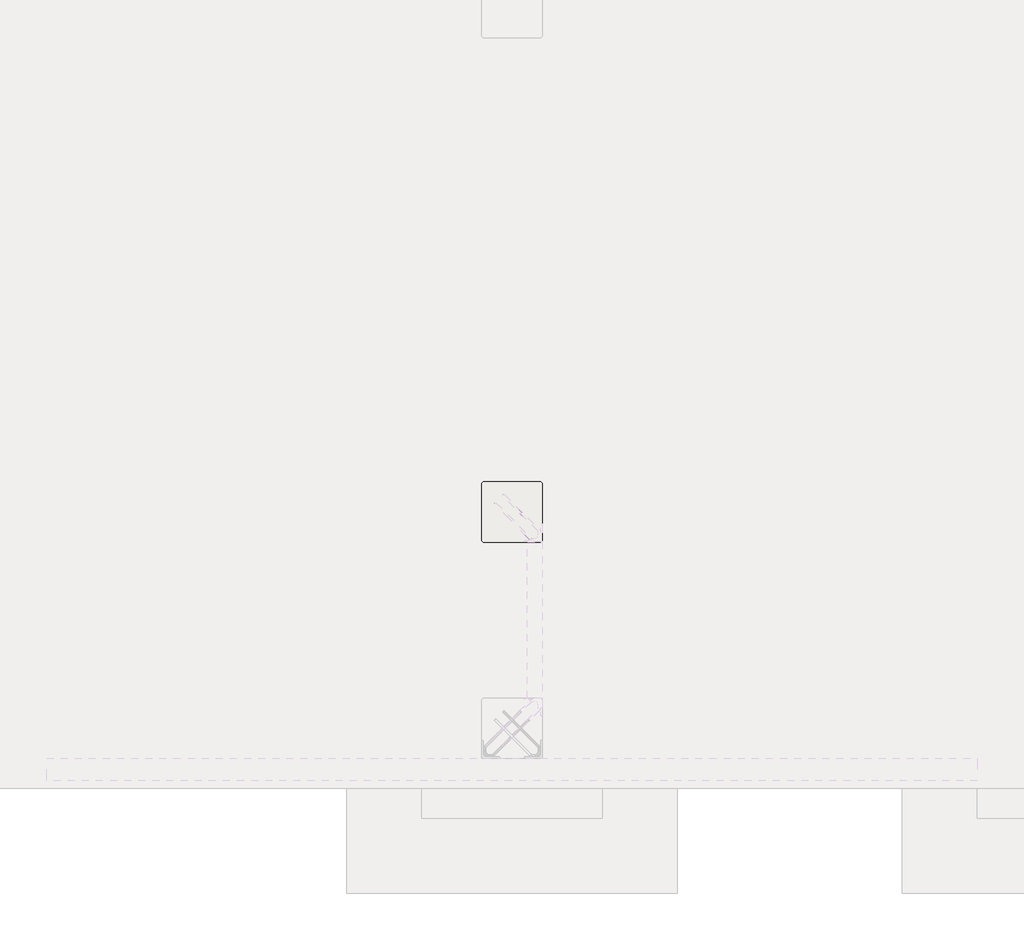
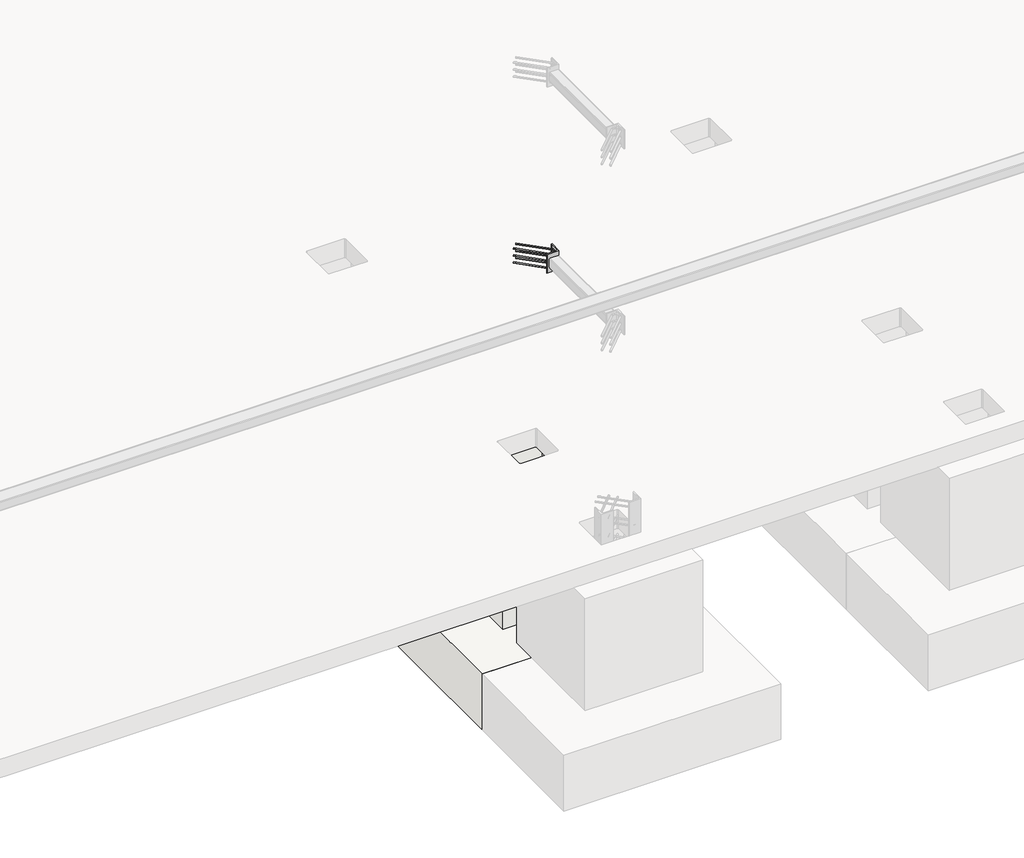
# One storey, part 8 of 65: 1 fastener, 1 slab.
"""IFC4 building model written with IfcOpenShell, lengths in millimetres."""

import ifcopenshell
import ifcopenshell.guid

model = None  # the IFC model being written
_history = None  # IfcOwnerHistory: only IFC2X3 demands one
_inside = {}  # id of a spatial element -> (the spatial element, [elements in it])
_under = {}  # id of a project, library or spatial element -> (it, [spatial elements below it])
_declared = {}  # id of a project -> (the project, [libraries it declares])
_typed = {}  # id of a type object -> (the type object, [elements of that type])
_made_of = {}  # id of a material, layer set ... -> (it, [elements and type objects made of it])


def new_model(schema):
    """Start an empty IFC model of exactly this schema.

    Asked for "IFC4X3", IfcOpenShell would pick the latest addendum, in which some entities
    have other attributes; the version numbers below select the first issue.
    IFC2X3 requires an IfcOwnerHistory on every rooted entity: one is made here for all.
    """
    global model, _history
    if schema == "IFC4X3":
        model = ifcopenshell.file(schema_version=(4, 3, 0, 0))
    else:
        model = ifcopenshell.file(schema=schema)
    _inside.clear()
    _under.clear()
    _declared.clear()
    _typed.clear()
    _made_of.clear()
    _history = None
    if model.schema == "IFC2X3":
        org = make("IfcOrganization", Name="unknown")
        user = make(
            "IfcPersonAndOrganization",
            ThePerson=make("IfcPerson", FamilyName="unknown"),
            TheOrganization=org,
        )
        app = make(
            "IfcApplication",
            ApplicationDeveloper=org,
            Version="unknown",
            ApplicationFullName="unknown",
            ApplicationIdentifier="unknown",
        )
        _history = make(
            "IfcOwnerHistory",
            OwningUser=user,
            OwningApplication=app,
            ChangeAction="ADDED",
            CreationDate=0,
        )
    return model


def make(cls, **values):
    """One entity of the class cls with the attributes given. An attribute that is None is left unset."""
    return model.create_entity(
        cls, **{name: value for name, value in values.items() if value is not None}
    )


def rooted(cls, **values):
    """An entity with a GlobalId (a new one), such as an element, a storey or a relation."""
    return make(cls, GlobalId=ifcopenshell.guid.new(), OwnerHistory=_history, **values)


def si_unit(unit_type, name, prefix=None):
    """IfcSIUnit, for example si_unit("LENGTHUNIT", "METRE", prefix="MILLI")."""
    return make("IfcSIUnit", UnitType=unit_type, Prefix=prefix, Name=name)


def assignment(units):
    """IfcUnitAssignment: the units of a project."""
    return None if units is None else make("IfcUnitAssignment", Units=units)


def point(xyz):
    """IfcCartesianPoint."""
    return None if xyz is None else make("IfcCartesianPoint", Coordinates=xyz)


def direction(xyz):
    """IfcDirection."""
    return None if xyz is None else make("IfcDirection", DirectionRatios=xyz)


def frame(location, z_axis=None, x_axis=None):
    """IfcAxis2Placement3D, a coordinate frame: its origin and axes. An axis left out is left unset."""
    return make(
        "IfcAxis2Placement3D",
        Location=point(location),
        Axis=direction(z_axis),
        RefDirection=direction(x_axis),
    )


def frame_2d(location, x_axis=None):
    """IfcAxis2Placement2D, a coordinate frame in the plane: its origin and x axis."""
    return make(
        "IfcAxis2Placement2D", Location=point(location), RefDirection=direction(x_axis)
    )


def origin():
    """The frame at (0, 0, 0) with its axes left unset."""
    return frame((0.0, 0.0, 0.0))


def place(relative_to, where):
    """IfcLocalPlacement: puts the frame where relative to a parent placement (None: the world)."""
    return make(
        "IfcLocalPlacement", PlacementRelTo=relative_to, RelativePlacement=where
    )


def context(
    kind, dimensions, precision=None, world=None, true_north=None, identifier=None
):
    """IfcGeometricRepresentationContext, for example the 3D "Model" context."""
    return make(
        "IfcGeometricRepresentationContext",
        ContextIdentifier=identifier,
        ContextType=kind,
        CoordinateSpaceDimension=dimensions,
        Precision=precision,
        WorldCoordinateSystem=world,
        TrueNorth=true_north,
    )


def project(units=None, contexts=None):
    """IfcProject with its units and contexts."""
    return rooted(
        "IfcProject",
        Name="project",
        RepresentationContexts=contexts,
        UnitsInContext=assignment(units),
    )


def spatial(cls, under=None, at=None, **own):
    """A site, building, storey or space (cls), placed at a placement, below another one or the project."""
    s = rooted(cls, ObjectPlacement=at, **own)
    if under is not None:
        _under.setdefault(under.id(), (under, []))[1].append(s)
    return s


def polyline(points):
    """IfcPolyline through the points."""
    return make("IfcPolyline", Points=[point(p) for p in points])


def circle_curve(where, radius):
    """IfcCircle in the frame where."""
    return make("IfcCircle", Position=where, Radius=radius)


def ellipse_curve(where, semi_axis1, semi_axis2):
    """IfcEllipse in the frame where."""
    return make(
        "IfcEllipse", Position=where, SemiAxis1=semi_axis1, SemiAxis2=semi_axis2
    )


def trimmed(basis, trim1, trim2, sense, master):
    """IfcTrimmedCurve: the piece of a basis curve between two trims."""
    return make(
        "IfcTrimmedCurve",
        BasisCurve=basis,
        Trim1=trim1,
        Trim2=trim2,
        SenseAgreement=sense,
        MasterRepresentation=master,
    )


def segment(curve, same_sense, transition):
    """IfcCompositeCurveSegment."""
    return make(
        "IfcCompositeCurveSegment",
        Transition=transition,
        SameSense=same_sense,
        ParentCurve=curve,
    )


def composite_curve(segments, self_intersect=None):
    """IfcCompositeCurve: segments joined end to end."""
    return make("IfcCompositeCurve", Segments=segments, SelfIntersect=self_intersect)


def outline(outer, holes=None, kind="AREA"):
    """IfcArbitraryClosedProfileDef: a profile drawn as a closed curve; with holes, ...WithVoids."""
    if holes is None:
        return make("IfcArbitraryClosedProfileDef", ProfileType=kind, OuterCurve=outer)
    return make(
        "IfcArbitraryProfileDefWithVoids",
        ProfileType=kind,
        OuterCurve=outer,
        InnerCurves=holes,
    )


def extrude(swept, where, along, depth):
    """IfcExtrudedAreaSolid: the profile swept, set in the frame where, extruded along a direction by depth."""
    return make(
        "IfcExtrudedAreaSolid",
        SweptArea=swept,
        Position=where,
        ExtrudedDirection=direction(along),
        Depth=depth,
    )


def faces_of(points, faces, orient=None, outer=None):
    """IfcFace entities. A face is a list of loops; a loop is a list of indices into points, from 0.

    orient and outer hold one flag for each loop. By default every Orientation is true, the
    first loop of a face is its IfcFaceOuterBound and the others are IfcFaceBound.
    """
    made = []
    for i, loops in enumerate(faces):
        bounds = []
        for j, loop in enumerate(loops):
            is_outer = j == 0 if outer is None else outer[i][j]
            bounds.append(
                make(
                    "IfcFaceOuterBound" if is_outer else "IfcFaceBound",
                    Bound=make("IfcPolyLoop", Polygon=[points[k] for k in loop]),
                    Orientation=True if orient is None else orient[i][j],
                )
            )
        made.append(make("IfcFace", Bounds=bounds))
    return made


def faceted_brep(points, faces, orient=None, outer=None, voids=None):
    """IfcFacetedBrep: a solid bounded by flat faces; with voids (closed shells), ...WithVoids."""
    shared = [point(p) for p in points]
    hull = make("IfcClosedShell", CfsFaces=faces_of(shared, faces, orient, outer))
    if voids is None:
        return make("IfcFacetedBrep", Outer=hull)
    return make(
        "IfcFacetedBrepWithVoids",
        Outer=hull,
        Voids=[
            make(cls, CfsFaces=faces_of(shared, fs, o, b)) for cls, fs, o, b in voids
        ],
    )


def shape(context_of_items, identifier, shape_type, items):
    """IfcShapeRepresentation: the items that make up one representation, for example the "Body"."""
    return make(
        "IfcShapeRepresentation",
        ContextOfItems=context_of_items,
        RepresentationIdentifier=identifier,
        RepresentationType=shape_type,
        Items=items,
    )


def made_of(thing, what):
    """Note that an element or type object is made of a material, layer set ...; save() writes the relation."""
    if what is not None:
        _made_of.setdefault(what.id(), (what, []))[1].append(thing)
    return thing


def element(
    cls,
    number,
    at=None,
    inside=None,
    cuts=None,
    type_object=None,
    material=None,
    context=None,
    identifier="Body",
    shape_type=None,
    held_by="IfcProductDefinitionShape",
    body=None,
    shapes=None,
    **own,
):
    """One element of the class cls, such as IfcWall. Its Tag is "e" and its number.

    at: its placement. inside: the storey or other place that contains it. cuts: it is an
    opening in that element (IfcRelVoidsElement). A single representation is given by context,
    identifier, shape_type and body (its items); several are given by shapes. held_by: the class
    of the entity that holds the representations. save() writes the other relations.
    """
    e = rooted(cls, Tag="e%d" % number, ObjectPlacement=at, **own)
    if body is not None:
        shapes = [shape(context, identifier, shape_type, body)]
    if shapes is not None:
        e.Representation = make(held_by, Representations=shapes)
    if inside is not None:
        _inside.setdefault(inside.id(), (inside, []))[1].append(e)
    if cuts is not None:
        rooted(
            "IfcRelVoidsElement", RelatingBuildingElement=cuts, RelatedOpeningElement=e
        )
    if type_object is not None:
        _typed.setdefault(type_object.id(), (type_object, []))[1].append(e)
    return made_of(e, material)


def aggregate(whole, parts):
    """IfcRelAggregates: a whole, such as a stair, and the parts it consists of."""
    return rooted("IfcRelAggregates", RelatingObject=whole, RelatedObjects=parts)


def save(model, path):
    """Write the relations noted so far, then the file.

    IfcRelAggregates (storeys below a building ...), IfcRelContainedInSpatialStructure (elements
    in a storey), IfcRelDefinesByType, IfcRelAssociatesMaterial and IfcRelDeclares: one each for
    every whole, place, type object, material and project.
    """
    for whole, parts in _under.values():
        aggregate(whole, parts)
    for where, things in _inside.values():
        rooted(
            "IfcRelContainedInSpatialStructure",
            RelatedElements=things,
            RelatingStructure=where,
        )
    for kind, things in _typed.values():
        rooted("IfcRelDefinesByType", RelatedObjects=things, RelatingType=kind)
    for what, things in _made_of.values():
        rooted("IfcRelAssociatesMaterial", RelatedObjects=things, RelatingMaterial=what)
    for by, libraries in _declared.values():
        rooted("IfcRelDeclares", RelatingContext=by, RelatedDefinitions=libraries)
    model.write(path)


def plane_surface(at):
    """IfcPlane: the flat surface through the origin of the frame at, square to its z axis."""
    return make("IfcPlane", Position=at)


def cylinder_surface(at, radius):
    """IfcCylindricalSurface: all points at the distance radius from the z axis of the frame at."""
    return make("IfcCylindricalSurface", Position=at, Radius=radius)


def revolved_surface(curve, axis_point, axis_direction):
    """IfcSurfaceOfRevolution: the curve turned about the line through axis_point along axis_direction."""
    return make(
        "IfcSurfaceOfRevolution",
        SweptCurve=make("IfcArbitraryOpenProfileDef", ProfileType="CURVE", Curve=curve),
        AxisPosition=make("IfcAxis1Placement", Location=point(axis_point), Axis=direction(axis_direction)),
    )


def advanced_brep(points, edges, surfaces, faces):
    """IfcAdvancedBrep: a solid bounded by faces that lie on surfaces and meet in shared edges.

    An edge is (start, end): straight between two places in points (the first is 0);
    or (start, end, curve); or (start, end, curve, False) where it runs against its curve.
    A face is (place in surfaces, loops), or (place, loops, False) where it looks against
    its surface's normal. A loop lists edges by number (the first is 1), with a minus sign
    where the edge is run from its end to its start. The first loop is the outer one.
    """
    corners = [point(p) for p in points]
    vertices = [make("IfcVertexPoint", VertexGeometry=c) for c in corners]
    made = []
    for start, end, *more in edges:
        made.append(
            make(
                "IfcEdgeCurve",
                EdgeStart=vertices[start],
                EdgeEnd=vertices[end],
                EdgeGeometry=more[0] if more else make("IfcPolyline", Points=[corners[start], corners[end]]),
                SameSense=more[1] if len(more) > 1 else True,
            )
        )
    hull = []
    for where, loops, *sense in faces:
        bounds = []
        for j, loop in enumerate(loops):
            ring = [make("IfcOrientedEdge", EdgeElement=made[abs(k) - 1], Orientation=k > 0) for k in loop]
            bounds.append(
                make(
                    "IfcFaceOuterBound" if j == 0 else "IfcFaceBound",
                    Bound=make("IfcEdgeLoop", EdgeList=ring),
                    Orientation=True,
                )
            )
        hull.append(make("IfcAdvancedFace", Bounds=bounds, FaceSurface=surfaces[where], SameSense=sense[0] if sense else True))
    return make("IfcAdvancedBrep", Outer=make("IfcClosedShell", CfsFaces=hull))


model = new_model("IFC4")

# Units and contexts
model_context = context("Model", 3, world=origin())
ifc_project = project(units=[si_unit("LENGTHUNIT", "METRE", prefix="MILLI")], contexts=[model_context])

# Site, building, storey
site = spatial("IfcSite", under=ifc_project)
building = spatial("IfcBuilding", under=site)
storey = spatial("IfcBuildingStorey", under=building, Elevation=0.0)

# Fastener
placement = place(None, origin())
element("IfcFastener", 1, at=placement, inside=storey, context=model_context, shape_type="SolidModel", body=[
    extrude(outline(composite_curve([segment(polyline([(17350.0, 11240.0), (17230.0, 11240.0), (17230.0, 11243.5)]), True, "CONTINUOUS"), segment(trimmed(circle_curve(frame_2d((17236.5, 11243.5)), 6.5), [point((17230.0, 11243.5))], [point((17236.5, 11250.0))], False, "CARTESIAN"), True, "CONTINUOUS"), segment(polyline([(17236.5, 11250.0), (17327.0, 11250.0)]), True, "CONTINUOUS"), segment(trimmed(circle_curve(frame_2d((17327.0, 11263.0)), 13.0), [point((17327.0, 11250.0))], [point((17340.0, 11263.0))], True, "CARTESIAN"), True, "CONTINUOUS"), segment(polyline([(17340.0, 11263.0), (17340.0, 11353.5)]), True, "CONTINUOUS"), segment(trimmed(circle_curve(frame_2d((17346.5, 11353.5)), 6.5), [point((17340.0, 11353.5))], [point((17346.5, 11360.0))], False, "CARTESIAN"), True, "CONTINUOUS"), segment(polyline([(17346.5, 11360.0), (17350.0, 11360.0), (17350.0, 11240.0)]), True, "CONTINUOUS")], self_intersect=False)), frame((0.0, 0.0, 1950.0), z_axis=(0.0, 0.0, 1.0), x_axis=(1.0, 0.0, 0.0)), (0.0, 0.0, 1.0), 200.0),
    advanced_brep(
    [(17097.4623741, 11557.4371209, 2125.0), (17087.5628791, 11547.5376259, 2125.0), (17032.5628791, 11492.5376259, 2125.0), (17042.4623741, 11502.4371209, 2125.0), (17303.0, 11264.0, 2125.0), (17303.0, 11250.0, 2125.0), (17284.2132034, 11250.0, 2125.0), (17284.2132034, 11264.0, 2125.0), (17326.0, 11287.0, 2125.0), (17340.0, 11287.0, 2125.0), (17326.0, 11305.7867966, 2125.0), (17340.0, 11305.7867966, 2125.0), (17333.5563492, 11321.3431458, 2125.0), (17323.6568543, 11311.4436508, 2125.0), (17278.5563492, 11266.3431458, 2125.0), (17268.6568543, 11256.4436508, 2125.0)],
    [
        (0, 1, circle_curve(frame((17092.5126266, 11552.4873734, 2125.0), z_axis=(-0.7071067811865459, 0.7071067811865493, 0.0), x_axis=(-0.7071067811865493, -0.7071067811865459, 0.0)), 7.0)),
        (1, 0, circle_curve(frame((17092.5126266, 11552.4873734, 2125.0), z_axis=(-0.7071067811865459, 0.7071067811865493, 0.0), x_axis=(-0.7071067811865493, -0.7071067811865459, 0.0)), 7.0)),
        (2, 3, circle_curve(frame((17037.5126266, 11497.4873734, 2125.0), z_axis=(-0.7071067811865457, 0.7071067811865493, 0.0), x_axis=(0.7071067811865493, 0.7071067811865457, 0.0)), 7.0)),
        (3, 2, circle_curve(frame((17037.5126266, 11497.4873734, 2125.0), z_axis=(-0.7071067811865457, 0.7071067811865493, 0.0), x_axis=(0.7071067811865493, 0.7071067811865457, 0.0)), 7.0)),
        (4, 5, circle_curve(frame((17303.0, 11257.0, 2125.0), z_axis=(-1.0, 0.0, 0.0), x_axis=(0.0, 1.0, 0.0)), 7.0)),
        (5, 6),
        (6, 7, circle_curve(frame((17284.2132034, 11257.0, 2125.0), z_axis=(1.0, 0.0, 0.0), x_axis=(0.0, 1.0, 0.0)), 7.0)),
        (7, 4),
        (5, 4, circle_curve(frame((17303.0, 11257.0, 2125.0), z_axis=(-1.0, 0.0, 0.0), x_axis=(0.0, 1.0, 0.0)), 7.0)),
        (7, 6, circle_curve(frame((17284.2132034, 11257.0, 2125.0), z_axis=(1.0, 0.0, 0.0), x_axis=(0.0, 1.0, 0.0)), 7.0)),
        (4, 8, circle_curve(frame((17303.0, 11287.0, 2125.0), z_axis=(0.0, 0.0, 1.0), x_axis=(1.0, 0.0, 0.0)), 23.0)),
        (8, 9, circle_curve(frame((17333.0, 11287.0, 2125.0), z_axis=(0.0, -1.0, 0.0), x_axis=(-1.0, 0.0, 0.0)), 7.0)),
        (9, 5, circle_curve(frame((17303.0, 11287.0, 2125.0), z_axis=(0.0, 0.0, -1.0), x_axis=(1.0, 0.0, 0.0)), 37.0)),
        (9, 8, circle_curve(frame((17333.0, 11287.0, 2125.0), z_axis=(0.0, -1.0, 0.0), x_axis=(-1.0, 0.0, 0.0)), 7.0)),
        (10, 11, circle_curve(frame((17333.0, 11305.7867966, 2125.0), z_axis=(0.0, -1.0, 0.0), x_axis=(-1.0, 0.0, 0.0)), 7.0)),
        (11, 9),
        (8, 10),
        (11, 10, circle_curve(frame((17333.0, 11305.7867966, 2125.0), z_axis=(0.0, -1.0, 0.0), x_axis=(-1.0, 0.0, 0.0)), 7.0)),
        (0, 12),
        (12, 13, circle_curve(frame((17328.6066017, 11316.3933983, 2125.0), z_axis=(-0.7071067811865459, 0.7071067811865493, 0.0), x_axis=(-0.7071067811865493, -0.7071067811865459, 0.0)), 7.0)),
        (13, 1),
        (13, 12, circle_curve(frame((17328.6066017, 11316.3933983, 2125.0), z_axis=(-0.7071067811865459, 0.7071067811865493, 0.0), x_axis=(-0.7071067811865493, -0.7071067811865459, 0.0)), 7.0)),
        (10, 13, circle_curve(frame((17318.0, 11305.7867966, 2125.0), z_axis=(0.0, 0.0, 1.0), x_axis=(0.7071067811865491, 0.7071067811865459, 0.0)), 8.0)),
        (12, 11, circle_curve(frame((17318.0, 11305.7867966, 2125.0), z_axis=(0.0, 0.0, -1.0), x_axis=(0.7071067811865491, 0.7071067811865459, 0.0)), 22.0)),
        (14, 7, circle_curve(frame((17284.2132034, 11272.0, 2125.0), z_axis=(0.0, 0.0, 1.0), x_axis=(0.0, -1.0, 0.0)), 8.0)),
        (6, 15, circle_curve(frame((17284.2132034, 11272.0, 2125.0), z_axis=(0.0, 0.0, -1.0), x_axis=(0.0, -1.0, 0.0)), 22.0)),
        (15, 14, circle_curve(frame((17273.6066017, 11261.3933983, 2125.0), z_axis=(0.7071067811865456, -0.7071067811865495, 0.0), x_axis=(0.7071067811865495, 0.7071067811865456, 0.0)), 7.0)),
        (14, 15, circle_curve(frame((17273.6066017, 11261.3933983, 2125.0), z_axis=(0.707106781186545, -0.70710678118655, 0.0), x_axis=(0.70710678118655, 0.707106781186545, 0.0)), 7.0)),
        (15, 2),
        (3, 14),
    ],
    [
        plane_surface(frame((17092.5126266, 11552.4873734, 2125.0), z_axis=(-0.7071067811865459, 0.7071067811865493, 0.0), x_axis=(0.0, 0.0, -1.0))),
        plane_surface(frame((17037.5126266, 11497.4873734, 2125.0), z_axis=(-0.7071067811865457, 0.7071067811865493, 0.0), x_axis=(0.0, 0.0, -1.0))),
        cylinder_surface(frame((17303.0, 11257.0, 2125.0), z_axis=(1.0, 0.0, 0.0), x_axis=(0.0, 1.0, 0.0)), 7.0),
        revolved_surface(trimmed(ellipse_curve(frame((17333.0, 11287.0, 2125.0), z_axis=(0.0, 1.0, 0.0), x_axis=(-1.0, 0.0, 0.0)), 7.0, 7.0), [point((17340.0, 11287.0, 2125.0))], [point((17326.0, 11287.0, 2125.0))], True, "CARTESIAN"), (17303.0, 11287.0, 2125.0), (0.0, 0.0, -1.0)),
        revolved_surface(trimmed(ellipse_curve(frame((17333.0, 11287.0, 2125.0), z_axis=(0.0, 1.0, 0.0), x_axis=(-1.0, 0.0, 0.0)), 7.0, 7.0), [point((17326.0, 11287.0, 2125.0))], [point((17340.0, 11287.0, 2125.0))], True, "CARTESIAN"), (17303.0, 11287.0, 2125.0), (0.0, 0.0, -1.0)),
        cylinder_surface(frame((17333.0, 11305.7867966, 2125.0), z_axis=(0.0, 1.0, 0.0), x_axis=(-1.0, 0.0, 0.0)), 7.0),
        cylinder_surface(frame((17092.5126266, 11552.4873734, 2125.0), z_axis=(-0.7071067811865459, 0.7071067811865493, 0.0), x_axis=(-0.7071067811865493, -0.7071067811865459, 0.0)), 7.0),
        revolved_surface(trimmed(ellipse_curve(frame((17328.6066017, 11316.3933983, 2125.0), z_axis=(-0.7071067811865459, 0.7071067811865491, 0.0), x_axis=(-0.7071067811865491, -0.7071067811865459, 0.0)), 7.0, 7.0), [point((17333.5563492, 11321.3431458, 2125.0))], [point((17323.6568543, 11311.4436508, 2125.0))], True, "CARTESIAN"), (17318.0, 11305.7867966, 2125.0), (0.0, 0.0, -1.0)),
        revolved_surface(trimmed(ellipse_curve(frame((17328.6066017, 11316.3933983, 2125.0), z_axis=(-0.7071067811865459, 0.7071067811865491, 0.0), x_axis=(-0.7071067811865491, -0.7071067811865459, 0.0)), 7.0, 7.0), [point((17323.6568543, 11311.4436508, 2125.0))], [point((17333.5563492, 11321.3431458, 2125.0))], True, "CARTESIAN"), (17318.0, 11305.7867966, 2125.0), (0.0, 0.0, -1.0)),
        revolved_surface(trimmed(ellipse_curve(frame((17284.2132034, 11257.0, 2125.0), z_axis=(1.0, 0.0, 0.0), x_axis=(0.0, 1.0, 0.0)), 7.0, 7.0), [point((17284.2132034, 11250.0, 2125.0))], [point((17284.2132034, 11264.0, 2125.0))], True, "CARTESIAN"), (17284.2132034, 11272.0, 2125.0), (0.0, 0.0, -1.0)),
        revolved_surface(trimmed(ellipse_curve(frame((17284.2132034, 11257.0, 2125.0), z_axis=(1.0, 0.0, 0.0), x_axis=(0.0, 1.0, 0.0)), 7.0, 7.0), [point((17284.2132034, 11264.0, 2125.0))], [point((17284.2132034, 11250.0, 2125.0))], True, "CARTESIAN"), (17284.2132034, 11272.0, 2125.0), (0.0, 0.0, -1.0)),
        cylinder_surface(frame((17273.6066017, 11261.3933983, 2125.0), z_axis=(0.7071067811865457, -0.7071067811865493, 0.0), x_axis=(0.7071067811865493, 0.7071067811865457, 0.0)), 7.0),
    ],
    [
        (0, [[1, 2]]),
        (1, [[3, 4]]),
        (2, [[5, 6, 7, 8]]),
        (2, [[9, -8, 10, -6]]),
        (3, [[11, 12, 13, -5]]),
        (4, [[-13, 14, -11, -9]]),
        (5, [[15, 16, -12, 17]]),
        (5, [[18, -17, -14, -16]]),
        (6, [[-1, 19, 20, 21]]),
        (6, [[-2, -21, 22, -19]]),
        (7, [[23, -20, 24, -15]]),
        (8, [[-24, -22, -23, -18]]),
        (9, [[25, -7, 26, 27]]),
        (10, [[-26, -10, -25, 28]]),
        (11, [[-27, 29, -4, 30]]),
        (11, [[-28, -30, -3, -29]]),
    ],
),
    advanced_brep(
    [(17087.5628791, 11547.5376259, 1975.0), (17097.4623741, 11557.4371209, 1975.0), (17042.4623741, 11502.4371209, 1975.0), (17032.5628791, 11492.5376259, 1975.0), (17303.0, 11250.0, 1975.0), (17303.0, 11264.0, 1975.0), (17284.2132034, 11264.0, 1975.0), (17284.2132034, 11250.0, 1975.0), (17340.0, 11287.0, 1975.0), (17326.0, 11287.0, 1975.0), (17340.0, 11305.7867966, 1975.0), (17326.0, 11305.7867966, 1975.0), (17323.6568543, 11311.4436508, 1975.0), (17333.5563492, 11321.3431458, 1975.0), (17268.6568543, 11256.4436508, 1975.0), (17278.5563492, 11266.3431458, 1975.0)],
    [
        (0, 1, circle_curve(frame((17092.5126266, 11552.4873734, 1975.0), z_axis=(-0.7071067811865459, 0.7071067811865493, 0.0), x_axis=(0.7071067811865493, 0.7071067811865459, 0.0)), 7.0)),
        (1, 0, circle_curve(frame((17092.5126266, 11552.4873734, 1975.0), z_axis=(-0.7071067811865459, 0.7071067811865493, 0.0), x_axis=(0.7071067811865493, 0.7071067811865459, 0.0)), 7.0)),
        (2, 3, circle_curve(frame((17037.5126266, 11497.4873734, 1975.0), z_axis=(-0.7071067811865458, 0.7071067811865493, 0.0), x_axis=(-0.7071067811865493, -0.7071067811865458, 0.0)), 7.0)),
        (3, 2, circle_curve(frame((17037.5126266, 11497.4873734, 1975.0), z_axis=(-0.7071067811865458, 0.7071067811865493, 0.0), x_axis=(-0.7071067811865493, -0.7071067811865458, 0.0)), 7.0)),
        (4, 5, circle_curve(frame((17303.0, 11257.0, 1975.0), z_axis=(-1.0, 0.0, 0.0), x_axis=(0.0, -1.0, 0.0)), 7.0)),
        (5, 6),
        (6, 7, circle_curve(frame((17284.2132034, 11257.0, 1975.0), z_axis=(1.0, 0.0, 0.0), x_axis=(0.0, -1.0, 0.0)), 7.0)),
        (7, 4),
        (5, 4, circle_curve(frame((17303.0, 11257.0, 1975.0), z_axis=(-1.0, 0.0, 0.0), x_axis=(0.0, -1.0, 0.0)), 7.0)),
        (7, 6, circle_curve(frame((17284.2132034, 11257.0, 1975.0), z_axis=(1.0, 0.0, 0.0), x_axis=(0.0, -1.0, 0.0)), 7.0)),
        (4, 8, circle_curve(frame((17303.0, 11287.0, 1975.0), z_axis=(0.0, 0.0, 1.0), x_axis=(1.0, 0.0, 0.0)), 37.0)),
        (8, 9, circle_curve(frame((17333.0, 11287.0, 1975.0), z_axis=(0.0, -1.0, 0.0), x_axis=(1.0, 0.0, 0.0)), 7.0)),
        (9, 5, circle_curve(frame((17303.0, 11287.0, 1975.0), z_axis=(0.0, 0.0, -1.0), x_axis=(1.0, 0.0, 0.0)), 23.0)),
        (9, 8, circle_curve(frame((17333.0, 11287.0, 1975.0), z_axis=(0.0, -1.0, 0.0), x_axis=(1.0, 0.0, 0.0)), 7.0)),
        (10, 11, circle_curve(frame((17333.0, 11305.7867966, 1975.0), z_axis=(0.0, -1.0, 0.0), x_axis=(1.0, 0.0, 0.0)), 7.0)),
        (11, 9),
        (8, 10),
        (11, 10, circle_curve(frame((17333.0, 11305.7867966, 1975.0), z_axis=(0.0, -1.0, 0.0), x_axis=(1.0, 0.0, 0.0)), 7.0)),
        (0, 12),
        (12, 13, circle_curve(frame((17328.6066017, 11316.3933983, 1975.0), z_axis=(-0.7071067811865459, 0.7071067811865493, 0.0), x_axis=(0.7071067811865493, 0.7071067811865459, 0.0)), 7.0)),
        (13, 1),
        (13, 12, circle_curve(frame((17328.6066017, 11316.3933983, 1975.0), z_axis=(-0.7071067811865459, 0.7071067811865493, 0.0), x_axis=(0.7071067811865493, 0.7071067811865459, 0.0)), 7.0)),
        (10, 13, circle_curve(frame((17318.0, 11305.7867966, 1975.0), z_axis=(0.0, 0.0, 1.0), x_axis=(0.7071067811865491, 0.7071067811865459, 0.0)), 22.0)),
        (12, 11, circle_curve(frame((17318.0, 11305.7867966, 1975.0), z_axis=(0.0, 0.0, -1.0), x_axis=(0.7071067811865491, 0.7071067811865459, 0.0)), 8.0)),
        (14, 7, circle_curve(frame((17284.2132034, 11272.0, 1975.0), z_axis=(0.0, 0.0, 1.0), x_axis=(0.0, -1.0, 0.0)), 22.0)),
        (6, 15, circle_curve(frame((17284.2132034, 11272.0, 1975.0), z_axis=(0.0, 0.0, -1.0), x_axis=(0.0, -1.0, 0.0)), 8.0)),
        (15, 14, circle_curve(frame((17273.6066017, 11261.3933983, 1975.0), z_axis=(0.7071067811865442, -0.7071067811865508, 0.0), x_axis=(-0.7071067811865508, -0.7071067811865442, 0.0)), 7.0)),
        (14, 15, circle_curve(frame((17273.6066017, 11261.3933983, 1975.0), z_axis=(0.707106781186545, -0.70710678118655, 0.0), x_axis=(-0.70710678118655, -0.707106781186545, 0.0)), 7.0)),
        (15, 2),
        (3, 14),
    ],
    [
        plane_surface(frame((17092.5126266, 11552.4873734, 1975.0), z_axis=(-0.7071067811865459, 0.7071067811865493, 0.0), x_axis=(0.0, 0.0, 1.0))),
        plane_surface(frame((17037.5126266, 11497.4873734, 1975.0), z_axis=(-0.7071067811865458, 0.7071067811865493, 0.0), x_axis=(0.0, 0.0, 1.0))),
        cylinder_surface(frame((17303.0, 11257.0, 1975.0), z_axis=(1.0, 0.0, 0.0), x_axis=(0.0, -1.0, 0.0)), 7.0),
        revolved_surface(trimmed(ellipse_curve(frame((17333.0, 11287.0, 1975.0), z_axis=(0.0, 1.0, 0.0), x_axis=(1.0, 0.0, 0.0)), 7.0, 7.0), [point((17326.0, 11287.0, 1975.0))], [point((17340.0, 11287.0, 1975.0))], True, "CARTESIAN"), (17303.0, 11287.0, 1975.0), (0.0, 0.0, -1.0)),
        revolved_surface(trimmed(ellipse_curve(frame((17333.0, 11287.0, 1975.0), z_axis=(0.0, 1.0, 0.0), x_axis=(1.0, 0.0, 0.0)), 7.0, 7.0), [point((17340.0, 11287.0, 1975.0))], [point((17326.0, 11287.0, 1975.0))], True, "CARTESIAN"), (17303.0, 11287.0, 1975.0), (0.0, 0.0, -1.0)),
        cylinder_surface(frame((17333.0, 11305.7867966, 1975.0), z_axis=(0.0, 1.0, 0.0), x_axis=(1.0, 0.0, 0.0)), 7.0),
        cylinder_surface(frame((17092.5126266, 11552.4873734, 1975.0), z_axis=(-0.7071067811865459, 0.7071067811865493, 0.0), x_axis=(0.7071067811865493, 0.7071067811865459, 0.0)), 7.0),
        revolved_surface(trimmed(ellipse_curve(frame((17328.6066017, 11316.3933983, 1975.0), z_axis=(-0.7071067811865459, 0.7071067811865491, 0.0), x_axis=(0.7071067811865491, 0.7071067811865459, 0.0)), 7.0, 7.0), [point((17323.6568543, 11311.4436508, 1975.0))], [point((17333.5563492, 11321.3431458, 1975.0))], True, "CARTESIAN"), (17318.0, 11305.7867966, 1975.0), (0.0, 0.0, -1.0)),
        revolved_surface(trimmed(ellipse_curve(frame((17328.6066017, 11316.3933983, 1975.0), z_axis=(-0.7071067811865459, 0.7071067811865491, 0.0), x_axis=(0.7071067811865491, 0.7071067811865459, 0.0)), 7.0, 7.0), [point((17333.5563492, 11321.3431458, 1975.0))], [point((17323.6568543, 11311.4436508, 1975.0))], True, "CARTESIAN"), (17318.0, 11305.7867966, 1975.0), (0.0, 0.0, -1.0)),
        revolved_surface(trimmed(ellipse_curve(frame((17284.2132034, 11257.0, 1975.0), z_axis=(1.0, 0.0, 0.0), x_axis=(0.0, -1.0, 0.0)), 7.0, 7.0), [point((17284.2132034, 11264.0, 1975.0))], [point((17284.2132034, 11250.0, 1975.0))], True, "CARTESIAN"), (17284.2132034, 11272.0, 1975.0), (0.0, 0.0, -1.0)),
        revolved_surface(trimmed(ellipse_curve(frame((17284.2132034, 11257.0, 1975.0), z_axis=(1.0, 0.0, 0.0), x_axis=(0.0, -1.0, 0.0)), 7.0, 7.0), [point((17284.2132034, 11250.0, 1975.0))], [point((17284.2132034, 11264.0, 1975.0))], True, "CARTESIAN"), (17284.2132034, 11272.0, 1975.0), (0.0, 0.0, -1.0)),
        cylinder_surface(frame((17273.6066017, 11261.3933983, 1975.0), z_axis=(0.7071067811865458, -0.7071067811865493, 0.0), x_axis=(-0.7071067811865493, -0.7071067811865458, 0.0)), 7.0),
    ],
    [
        (0, [[1, 2]]),
        (1, [[3, 4]]),
        (2, [[5, 6, 7, 8]]),
        (2, [[9, -8, 10, -6]]),
        (3, [[11, 12, 13, -5]]),
        (4, [[-13, 14, -11, -9]]),
        (5, [[15, 16, -12, 17]]),
        (5, [[18, -17, -14, -16]]),
        (6, [[-1, 19, 20, 21]]),
        (6, [[-2, -21, 22, -19]]),
        (7, [[23, -20, 24, -15]]),
        (8, [[-24, -22, -23, -18]]),
        (9, [[25, -7, 26, 27]]),
        (10, [[-26, -10, -25, 28]]),
        (11, [[-27, 29, -4, 30]]),
        (11, [[-28, -30, -3, -29]]),
    ],
),
    advanced_brep(
    [(17087.5628791, 11547.5376259, 2050.0), (17097.4623741, 11557.4371209, 2050.0), (17042.4623741, 11502.4371209, 2050.0), (17032.5628791, 11492.5376259, 2050.0), (17303.0, 11250.0, 2050.0), (17303.0, 11264.0, 2050.0), (17284.2132034, 11264.0, 2050.0), (17284.2132034, 11250.0, 2050.0), (17340.0, 11287.0, 2050.0), (17326.0, 11287.0, 2050.0), (17340.0, 11305.7867966, 2050.0), (17326.0, 11305.7867966, 2050.0), (17323.6568543, 11311.4436508, 2050.0), (17333.5563492, 11321.3431458, 2050.0), (17268.6568543, 11256.4436508, 2050.0), (17278.5563492, 11266.3431458, 2050.0)],
    [
        (0, 1, circle_curve(frame((17092.5126266, 11552.4873734, 2050.0), z_axis=(-0.7071067811865458, 0.7071067811865492, 0.0), x_axis=(0.7071067811865492, 0.7071067811865458, 0.0)), 7.0)),
        (1, 0, circle_curve(frame((17092.5126266, 11552.4873734, 2050.0), z_axis=(-0.7071067811865458, 0.7071067811865492, 0.0), x_axis=(0.7071067811865492, 0.7071067811865458, 0.0)), 7.0)),
        (2, 3, circle_curve(frame((17037.5126266, 11497.4873734, 2050.0), z_axis=(-0.7071067811865458, 0.7071067811865493, 0.0), x_axis=(-0.7071067811865493, -0.7071067811865458, 0.0)), 7.0)),
        (3, 2, circle_curve(frame((17037.5126266, 11497.4873734, 2050.0), z_axis=(-0.7071067811865458, 0.7071067811865493, 0.0), x_axis=(-0.7071067811865493, -0.7071067811865458, 0.0)), 7.0)),
        (4, 5, circle_curve(frame((17303.0, 11257.0, 2050.0), z_axis=(-1.0, 0.0, 0.0), x_axis=(0.0, -1.0, 0.0)), 7.0)),
        (5, 6),
        (6, 7, circle_curve(frame((17284.2132034, 11257.0, 2050.0), z_axis=(1.0, 0.0, 0.0), x_axis=(0.0, -1.0, 0.0)), 7.0)),
        (7, 4),
        (5, 4, circle_curve(frame((17303.0, 11257.0, 2050.0), z_axis=(-1.0, 0.0, 0.0), x_axis=(0.0, -1.0, 0.0)), 7.0)),
        (7, 6, circle_curve(frame((17284.2132034, 11257.0, 2050.0), z_axis=(1.0, 0.0, 0.0), x_axis=(0.0, -1.0, 0.0)), 7.0)),
        (4, 8, circle_curve(frame((17303.0, 11287.0, 2050.0), z_axis=(0.0, 0.0, 1.0), x_axis=(1.0, 0.0, 0.0)), 37.0)),
        (8, 9, circle_curve(frame((17333.0, 11287.0, 2050.0), z_axis=(0.0, -1.0, 0.0), x_axis=(1.0, 0.0, 0.0)), 7.0)),
        (9, 5, circle_curve(frame((17303.0, 11287.0, 2050.0), z_axis=(0.0, 0.0, -1.0), x_axis=(1.0, 0.0, 0.0)), 23.0)),
        (9, 8, circle_curve(frame((17333.0, 11287.0, 2050.0), z_axis=(0.0, -1.0, 0.0), x_axis=(1.0, 0.0, 0.0)), 7.0)),
        (10, 11, circle_curve(frame((17333.0, 11305.7867966, 2050.0), z_axis=(0.0, -1.0, 0.0), x_axis=(1.0, 0.0, 0.0)), 7.0)),
        (11, 9),
        (8, 10),
        (11, 10, circle_curve(frame((17333.0, 11305.7867966, 2050.0), z_axis=(0.0, -1.0, 0.0), x_axis=(1.0, 0.0, 0.0)), 7.0)),
        (0, 12),
        (12, 13, circle_curve(frame((17328.6066017, 11316.3933983, 2050.0), z_axis=(-0.7071067811865458, 0.7071067811865492, 0.0), x_axis=(0.7071067811865492, 0.7071067811865458, 0.0)), 7.0)),
        (13, 1),
        (13, 12, circle_curve(frame((17328.6066017, 11316.3933983, 2050.0), z_axis=(-0.7071067811865458, 0.7071067811865492, 0.0), x_axis=(0.7071067811865492, 0.7071067811865458, 0.0)), 7.0)),
        (10, 13, circle_curve(frame((17318.0, 11305.7867966, 2050.0), z_axis=(0.0, 0.0, 1.0), x_axis=(0.7071067811865491, 0.7071067811865459, 0.0)), 22.0)),
        (12, 11, circle_curve(frame((17318.0, 11305.7867966, 2050.0), z_axis=(0.0, 0.0, -1.0), x_axis=(0.7071067811865491, 0.7071067811865459, 0.0)), 8.0)),
        (14, 7, circle_curve(frame((17284.2132034, 11272.0, 2050.0), z_axis=(0.0, 0.0, 1.0), x_axis=(0.0, -1.0, 0.0)), 22.0)),
        (6, 15, circle_curve(frame((17284.2132034, 11272.0, 2050.0), z_axis=(0.0, 0.0, -1.0), x_axis=(0.0, -1.0, 0.0)), 8.0)),
        (15, 14, circle_curve(frame((17273.6066017, 11261.3933983, 2050.0), z_axis=(0.7071067811865457, -0.7071067811865493, 0.0), x_axis=(-0.7071067811865493, -0.7071067811865457, 0.0)), 7.0)),
        (14, 15, circle_curve(frame((17273.6066017, 11261.3933983, 2050.0), z_axis=(0.7071067811865456, -0.7071067811865495, 0.0), x_axis=(-0.7071067811865495, -0.7071067811865456, 0.0)), 7.0)),
        (15, 2),
        (3, 14),
    ],
    [
        plane_surface(frame((17092.5126266, 11552.4873734, 2050.0), z_axis=(-0.7071067811865458, 0.7071067811865492, 0.0), x_axis=(0.0, 0.0, 1.0))),
        plane_surface(frame((17037.5126266, 11497.4873734, 2050.0), z_axis=(-0.7071067811865457, 0.7071067811865495, 0.0), x_axis=(0.0, 0.0, 1.0))),
        cylinder_surface(frame((17303.0, 11257.0, 2050.0), z_axis=(1.0, 0.0, 0.0), x_axis=(0.0, -1.0, 0.0)), 7.0),
        revolved_surface(trimmed(ellipse_curve(frame((17333.0, 11287.0, 2050.0), z_axis=(0.0, 1.0, 0.0), x_axis=(1.0, 0.0, 0.0)), 7.0, 7.0), [point((17326.0, 11287.0, 2050.0))], [point((17340.0, 11287.0, 2050.0))], True, "CARTESIAN"), (17303.0, 11287.0, 2050.0), (0.0, 0.0, -1.0)),
        revolved_surface(trimmed(ellipse_curve(frame((17333.0, 11287.0, 2050.0), z_axis=(0.0, 1.0, 0.0), x_axis=(1.0, 0.0, 0.0)), 7.0, 7.0), [point((17340.0, 11287.0, 2050.0))], [point((17326.0, 11287.0, 2050.0))], True, "CARTESIAN"), (17303.0, 11287.0, 2050.0), (0.0, 0.0, -1.0)),
        cylinder_surface(frame((17333.0, 11305.7867966, 2050.0), z_axis=(0.0, 1.0, 0.0), x_axis=(1.0, 0.0, 0.0)), 7.0),
        cylinder_surface(frame((17092.5126266, 11552.4873734, 2050.0), z_axis=(-0.7071067811865458, 0.7071067811865492, 0.0), x_axis=(0.7071067811865492, 0.7071067811865458, 0.0)), 7.0),
        revolved_surface(trimmed(ellipse_curve(frame((17328.6066017, 11316.3933983, 2050.0), z_axis=(-0.707106781186546, 0.707106781186549, 0.0), x_axis=(0.707106781186549, 0.707106781186546, 0.0)), 7.0, 7.0), [point((17323.6568543, 11311.4436508, 2050.0))], [point((17333.5563492, 11321.3431458, 2050.0))], True, "CARTESIAN"), (17318.0, 11305.7867966, 2050.0), (0.0, 0.0, -1.0)),
        revolved_surface(trimmed(ellipse_curve(frame((17328.6066017, 11316.3933983, 2050.0), z_axis=(-0.707106781186546, 0.707106781186549, 0.0), x_axis=(0.707106781186549, 0.707106781186546, 0.0)), 7.0, 7.0), [point((17333.5563492, 11321.3431458, 2050.0))], [point((17323.6568543, 11311.4436508, 2050.0))], True, "CARTESIAN"), (17318.0, 11305.7867966, 2050.0), (0.0, 0.0, -1.0)),
        revolved_surface(trimmed(ellipse_curve(frame((17284.2132034, 11257.0, 2050.0), z_axis=(1.0, 0.0, 0.0), x_axis=(0.0, -1.0, 0.0)), 7.0, 7.0), [point((17284.2132034, 11264.0, 2050.0))], [point((17284.2132034, 11250.0, 2050.0))], True, "CARTESIAN"), (17284.2132034, 11272.0, 2050.0), (0.0, 0.0, -1.0)),
        revolved_surface(trimmed(ellipse_curve(frame((17284.2132034, 11257.0, 2050.0), z_axis=(1.0, 0.0, 0.0), x_axis=(0.0, -1.0, 0.0)), 7.0, 7.0), [point((17284.2132034, 11250.0, 2050.0))], [point((17284.2132034, 11264.0, 2050.0))], True, "CARTESIAN"), (17284.2132034, 11272.0, 2050.0), (0.0, 0.0, -1.0)),
        cylinder_surface(frame((17273.6066017, 11261.3933983, 2050.0), z_axis=(0.7071067811865458, -0.7071067811865493, 0.0), x_axis=(-0.7071067811865493, -0.7071067811865458, 0.0)), 7.0),
    ],
    [
        (0, [[1, 2]]),
        (1, [[3, 4]]),
        (2, [[5, 6, 7, 8]]),
        (2, [[9, -8, 10, -6]]),
        (3, [[11, 12, 13, -5]]),
        (4, [[-13, 14, -11, -9]]),
        (5, [[15, 16, -12, 17]]),
        (5, [[18, -17, -14, -16]]),
        (6, [[-1, 19, 20, 21]]),
        (6, [[-2, -21, 22, -19]]),
        (7, [[23, -20, 24, -15]]),
        (8, [[-24, -22, -23, -18]]),
        (9, [[25, -7, 26, 27]]),
        (10, [[-26, -10, -25, 28]]),
        (11, [[-27, 29, -4, 30]]),
        (11, [[-28, -30, -3, -29]]),
    ],
),
])

# Slab
element("IfcSlab", 2, ObjectType="F2.2x2.2x0.6m P1.2x1.2x1.2m", at=placement, inside=storey, context=model_context, shape_type="Brep", body=[
    faceted_brep([(16050.0, 10340.0, -2000.0), (18250.0, 10340.0, -2000.0), (18250.0, 10340.0, -1400.0), (17750.0, 10340.0, -1400.0), (16550.0, 10340.0, -1400.0), (16050.0, 10340.0, -1400.0), (16050.0, 12540.0, -1400.0), (18250.0, 12540.0, -1400.0), (16550.0, 12040.0, -1400.0), (17750.0, 12040.0, -1400.0), (17750.0, 10840.0, -1400.0), (16550.0, 10840.0, -1400.0), (16550.0, 12040.0, -200.0), (17750.0, 12040.0, -200.0), (16875.0, 11715.0, -1400.0), (16875.0, 11165.0, -1400.0), (17425.0, 11165.0, -1400.0), (17425.0, 11715.0, -1400.0), (16550.0, 10840.0, -200.0), (17750.0, 10840.0, -200.0), (16800.0, 11090.0, -200.0), (16800.0, 11790.0, -200.0), (17500.0, 11790.0, -200.0), (17500.0, 11090.0, -200.0), (16050.0, 12540.0, -2000.0), (18250.0, 12540.0, -2000.0)], [[[0, 1, 2, 3, 4, 5]], [[6, 5, 4, 3, 2, 7], [8, 9, 10, 11]], [[9, 8, 12, 13]], [[14, 15, 16, 17]], [[13, 12, 18, 19], [20, 21, 22, 23]], [[24, 25, 1, 0]], [[24, 0, 5, 6]], [[1, 25, 7, 2]], [[25, 24, 6, 7]], [[10, 9, 13, 19]], [[11, 10, 19, 18]], [[8, 11, 18, 12]], [[15, 14, 21, 20]], [[16, 15, 20, 23]], [[17, 16, 23, 22]], [[14, 17, 22, 21]]]),
])

save(model, "model.ifc")
